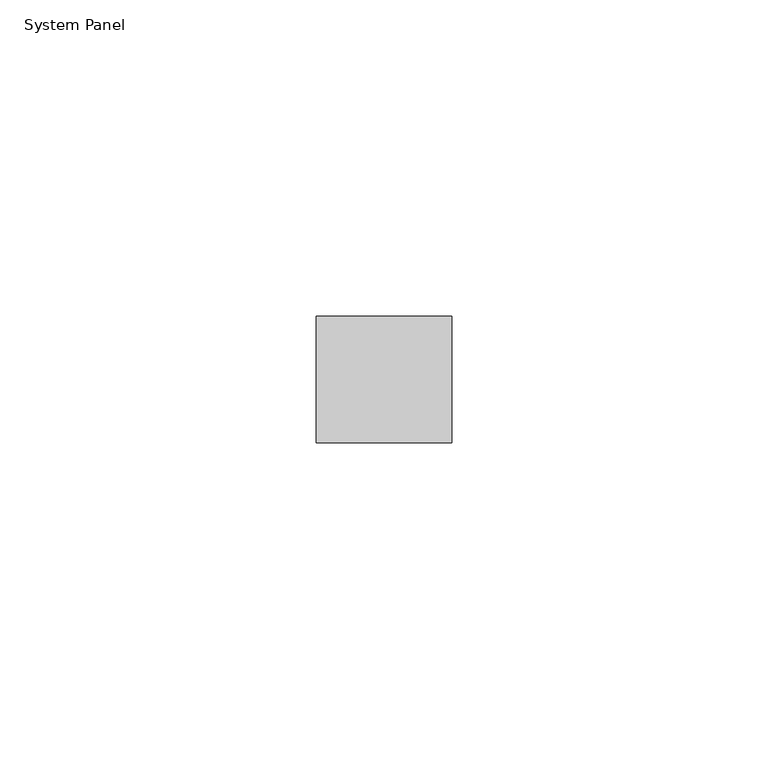
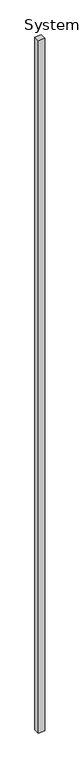
"""IFC4 building model written with IfcOpenShell, lengths in millimetres: plate geometry, System Panel."""

from ifc_helpers import new_model, si_unit, origin, origin_with_axes, place, context, project, spatial, polyline, outline, extrude, source, transform, mapped, element, save


def system_panel_e948da65(model_context):
    return source(origin(), model_context, "Body", "SweptSolid", [
        extrude(outline(polyline([(10.7114244, -10.0), (-10.7114244, -10.0), (-10.7114244, 10.0), (10.7114244, 10.0), (10.7114244, -10.0)])), origin_with_axes(), (0.0, 0.0, 1.0), 2400.0),
    ])


if __name__ == "__main__":
    model = new_model("IFC4")
    model_context = context("Model", 3, world=origin())
    ifc_project = project(units=[si_unit("LENGTHUNIT", "METRE", prefix="MILLI")], contexts=[model_context])
    site = spatial("IfcSite", under=ifc_project)
    building = spatial("IfcBuilding", under=site)
    placement = place(None, origin())
    system_panel_shape = system_panel_e948da65(model_context)
    element("IfcPlate", 1, ObjectType="System Panel", at=placement, inside=building, context=model_context, shape_type="MappedRepresentation", body=[
        mapped(system_panel_shape, transform((0.0, 0.0, 0.0), x_axis=(1.0, 0.0, 0.0), y_axis=(0.0, 1.0, 0.0), z_axis=(0.0, 0.0, 1.0))),
    ])
    save(model, "model.ifc")
